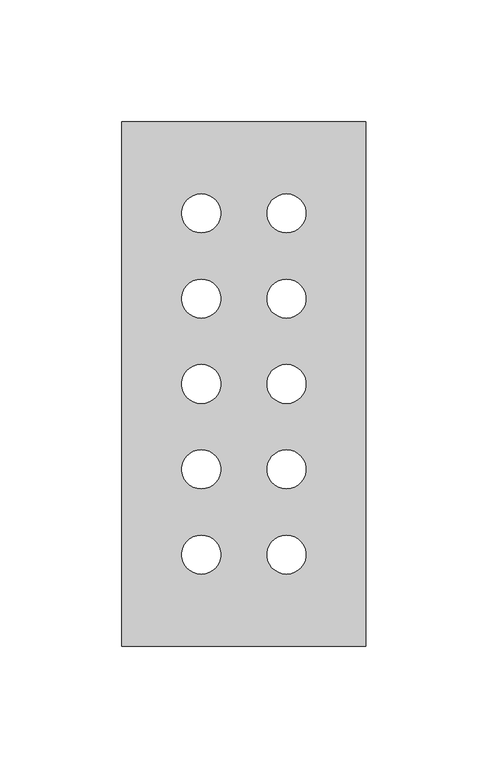
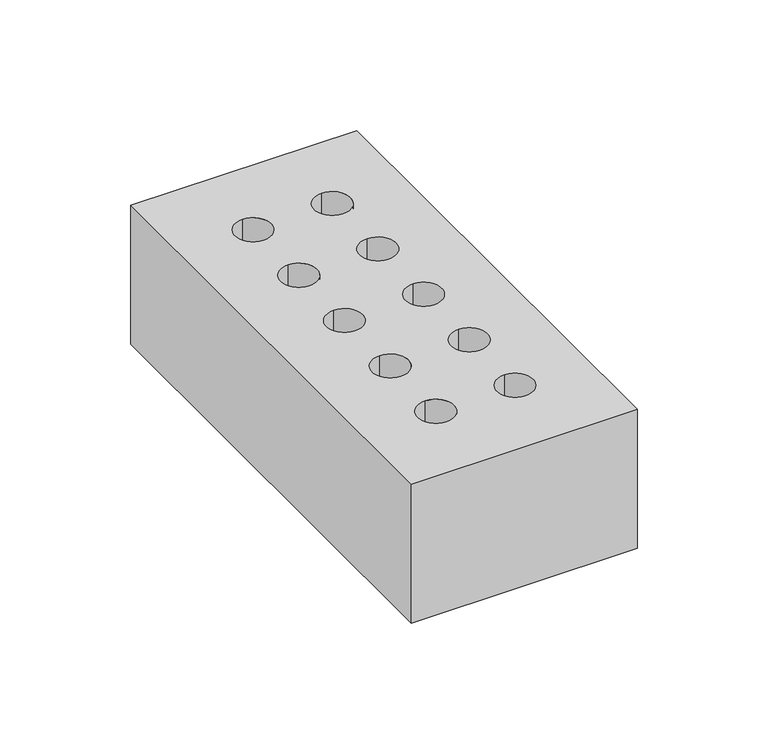
"""IFC4 building model written with IfcOpenShell, lengths in millimetres: proxy geometry."""

from ifc_helpers import new_model, si_unit, point, frame_2d, origin, origin_with_axes, place, context, project, spatial, polyline, circle_curve, trimmed, segment, composite_curve, outline, extrude, source, transform, mapped, element, save


def generic_models_65070f82(model_context):
    return source(origin(), model_context, "Body", "SweptSolid", [
        extrude(outline(polyline([(0.0, 215.0), (100.0, 215.0), (100.0, 0.0), (0.0, 0.0), (0.0, 215.0)]), holes=[composite_curve([segment(trimmed(circle_curve(frame_2d((67.5, 37.5)), 8.0), [point((67.5, 45.5))], [point((67.5, 29.5))], True, "CARTESIAN"), True, "CONTINUOUS"), segment(trimmed(circle_curve(frame_2d((67.5, 37.5)), 8.0), [point((67.5, 29.5))], [point((67.5, 45.5))], True, "CARTESIAN"), True, "CONTINUOUS")], self_intersect=False), composite_curve([segment(trimmed(circle_curve(frame_2d((32.5, 37.5)), 8.0), [point((32.5, 45.5))], [point((32.5, 29.5))], True, "CARTESIAN"), True, "CONTINUOUS"), segment(trimmed(circle_curve(frame_2d((32.5, 37.5)), 8.0), [point((32.5, 29.5))], [point((32.5, 45.5))], True, "CARTESIAN"), True, "CONTINUOUS")], self_intersect=False), composite_curve([segment(trimmed(circle_curve(frame_2d((32.5, 107.5)), 8.0), [point((32.5, 115.5))], [point((32.5, 99.5))], True, "CARTESIAN"), True, "CONTINUOUS"), segment(trimmed(circle_curve(frame_2d((32.5, 107.5)), 8.0), [point((32.5, 99.5))], [point((32.5, 115.5))], True, "CARTESIAN"), True, "CONTINUOUS")], self_intersect=False), composite_curve([segment(trimmed(circle_curve(frame_2d((32.5, 142.5)), 8.0), [point((32.5, 150.5))], [point((32.5, 134.5))], True, "CARTESIAN"), True, "CONTINUOUS"), segment(trimmed(circle_curve(frame_2d((32.5, 142.5)), 8.0), [point((32.5, 134.5))], [point((32.5, 150.5))], True, "CARTESIAN"), True, "CONTINUOUS")], self_intersect=False), composite_curve([segment(trimmed(circle_curve(frame_2d((32.5, 177.5)), 8.0), [point((32.5, 185.5))], [point((32.5, 169.5))], True, "CARTESIAN"), True, "CONTINUOUS"), segment(trimmed(circle_curve(frame_2d((32.5, 177.5)), 8.0), [point((32.5, 169.5))], [point((32.5, 185.5))], True, "CARTESIAN"), True, "CONTINUOUS")], self_intersect=False), composite_curve([segment(trimmed(circle_curve(frame_2d((32.5, 72.5)), 8.0), [point((32.5, 80.5))], [point((32.5, 64.5))], True, "CARTESIAN"), True, "CONTINUOUS"), segment(trimmed(circle_curve(frame_2d((32.5, 72.5)), 8.0), [point((32.5, 64.5))], [point((32.5, 80.5))], True, "CARTESIAN"), True, "CONTINUOUS")], self_intersect=False), composite_curve([segment(trimmed(circle_curve(frame_2d((67.5, 177.5)), 8.0), [point((67.5, 185.5))], [point((67.5, 169.5))], True, "CARTESIAN"), True, "CONTINUOUS"), segment(trimmed(circle_curve(frame_2d((67.5, 177.5)), 8.0), [point((67.5, 169.5))], [point((67.5, 185.5))], True, "CARTESIAN"), True, "CONTINUOUS")], self_intersect=False), composite_curve([segment(trimmed(circle_curve(frame_2d((67.5, 142.5)), 8.0), [point((67.5, 150.5))], [point((67.5, 134.5))], True, "CARTESIAN"), True, "CONTINUOUS"), segment(trimmed(circle_curve(frame_2d((67.5, 142.5)), 8.0), [point((67.5, 134.5))], [point((67.5, 150.5))], True, "CARTESIAN"), True, "CONTINUOUS")], self_intersect=False), composite_curve([segment(trimmed(circle_curve(frame_2d((67.5, 107.5)), 8.0), [point((67.5, 115.5))], [point((67.5, 99.5))], True, "CARTESIAN"), True, "CONTINUOUS"), segment(trimmed(circle_curve(frame_2d((67.5, 107.5)), 8.0), [point((67.5, 99.5))], [point((67.5, 115.5))], True, "CARTESIAN"), True, "CONTINUOUS")], self_intersect=False), composite_curve([segment(trimmed(circle_curve(frame_2d((67.5, 72.5)), 8.0), [point((67.5, 80.5))], [point((67.5, 64.5))], True, "CARTESIAN"), True, "CONTINUOUS"), segment(trimmed(circle_curve(frame_2d((67.5, 72.5)), 8.0), [point((67.5, 64.5))], [point((67.5, 80.5))], True, "CARTESIAN"), True, "CONTINUOUS")], self_intersect=False)]), origin_with_axes(), (0.0, 0.0, 1.0), 65.0),
    ])


if __name__ == "__main__":
    model = new_model("IFC4")
    model_context = context("Model", 3, world=origin())
    ifc_project = project(units=[si_unit("LENGTHUNIT", "METRE", prefix="MILLI")], contexts=[model_context])
    site = spatial("IfcSite", under=ifc_project)
    building = spatial("IfcBuilding", under=site)
    placement = place(None, origin())
    generic_models_shape = generic_models_65070f82(model_context)
    element("IfcBuildingElementProxy", 1, Name="Generic Models", at=placement, inside=building, context=model_context, shape_type="MappedRepresentation", body=[
        mapped(generic_models_shape, transform((0.0, 0.0, 0.0), x_axis=(1.0, 0.0, 0.0), y_axis=(0.0, 1.0, 0.0), z_axis=(0.0, 0.0, 1.0))),
    ])
    save(model, "model.ifc")
